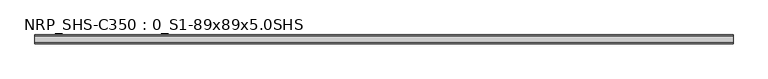
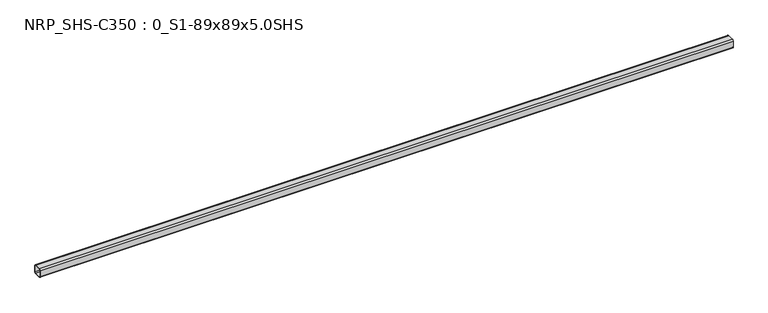
"""IFC4 building model written with IfcOpenShell, lengths in millimetres: beam geometry, NRP_SHS-C350 : 0_S1-89x89x5.0SHS."""

from ifc_helpers import new_model, si_unit, point, frame, frame_2d, origin, place, context, project, spatial, polyline, circle_curve, trimmed, segment, composite_curve, outline, extrude, source, transform, mapped, element, save


def nrp_shs_c350_0_s1_89x89x5_0shs_0eb61c44(model_context):
    return source(origin(), model_context, "Body", "SweptSolid", [
        extrude(outline(composite_curve([segment(trimmed(circle_curve(frame_2d((-32.0, 32.0)), 12.5), [point((-44.5, 32.0))], [point((-32.0, 44.5))], False, "CARTESIAN"), True, "CONTINUOUS"), segment(polyline([(-32.0, 44.5), (32.0, 44.5)]), True, "CONTINUOUS"), segment(trimmed(circle_curve(frame_2d((32.0, 32.0)), 12.5), [point((32.0, 44.5))], [point((44.5, 32.0))], False, "CARTESIAN"), True, "CONTINUOUS"), segment(polyline([(44.5, 32.0), (44.5, -32.0)]), True, "CONTINUOUS"), segment(trimmed(circle_curve(frame_2d((32.0, -32.0)), 12.5), [point((44.5, -32.0))], [point((32.0, -44.5))], False, "CARTESIAN"), True, "CONTINUOUS"), segment(polyline([(32.0, -44.5), (-32.0, -44.5)]), True, "CONTINUOUS"), segment(trimmed(circle_curve(frame_2d((-32.0, -32.0)), 12.5), [point((-32.0, -44.5))], [point((-44.5, -32.0))], False, "CARTESIAN"), True, "CONTINUOUS"), segment(polyline([(-44.5, -32.0), (-44.5, 32.0)]), True, "CONTINUOUS")], self_intersect=False), holes=[composite_curve([segment(polyline([(32.0, 39.5), (-32.0, 39.5)]), True, "CONTINUOUS"), segment(trimmed(circle_curve(frame_2d((-32.0, 32.0)), 7.5), [point((-32.0, 39.5))], [point((-39.5, 32.0))], True, "CARTESIAN"), True, "CONTINUOUS"), segment(polyline([(-39.5, 32.0), (-39.5, -32.0)]), True, "CONTINUOUS"), segment(trimmed(circle_curve(frame_2d((-32.0, -32.0)), 7.5), [point((-39.5, -32.0))], [point((-32.0, -39.5))], True, "CARTESIAN"), True, "CONTINUOUS"), segment(polyline([(-32.0, -39.5), (32.0, -39.5)]), True, "CONTINUOUS"), segment(trimmed(circle_curve(frame_2d((32.0, -32.0)), 7.5), [point((32.0, -39.5))], [point((39.5, -32.0))], True, "CARTESIAN"), True, "CONTINUOUS"), segment(polyline([(39.5, -32.0), (39.5, 32.0)]), True, "CONTINUOUS"), segment(trimmed(circle_curve(frame_2d((32.0, 32.0)), 7.5), [point((39.5, 32.0))], [point((32.0, 39.5))], True, "CARTESIAN"), True, "CONTINUOUS")], self_intersect=False)]), frame((-3472.0, 0.0, 0.0), z_axis=(1.0, 0.0, 0.0), x_axis=(0.0, 1.0, 0.0)), (0.0, 0.0, 1.0), 6957.0),
    ])


if __name__ == "__main__":
    model = new_model("IFC4")
    model_context = context("Model", 3, world=origin())
    ifc_project = project(units=[si_unit("LENGTHUNIT", "METRE", prefix="MILLI")], contexts=[model_context])
    site = spatial("IfcSite", under=ifc_project)
    building = spatial("IfcBuilding", under=site)
    placement = place(None, origin())
    nrp_shs_c350_0_s1_89x89x5_0shs_shape = nrp_shs_c350_0_s1_89x89x5_0shs_0eb61c44(model_context)
    element("IfcBeam", 1, ObjectType="NRP_SHS-C350 : 0_S1-89x89x5.0SHS", at=placement, inside=building, context=model_context, shape_type="MappedRepresentation", body=[
        mapped(nrp_shs_c350_0_s1_89x89x5_0shs_shape, transform((0.0, 0.0, 0.0), x_axis=(1.0, 0.0, 0.0), y_axis=(0.0, 1.0, 0.0), z_axis=(0.0, 0.0, 1.0))),
    ])
    save(model, "model.ifc")
